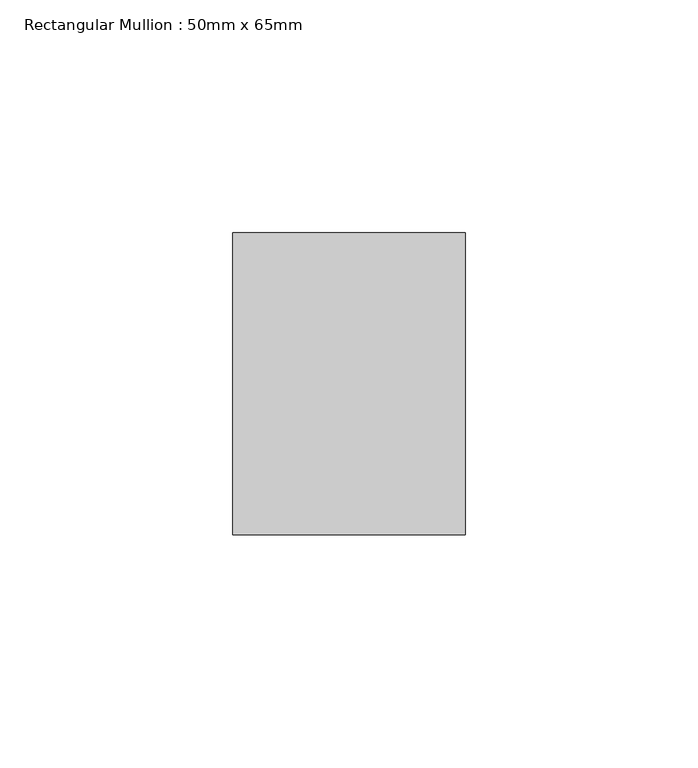
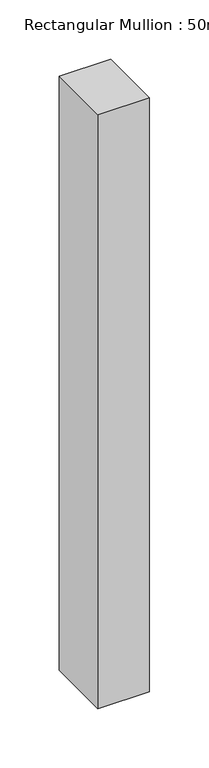
"""IFC4 building model written with IfcOpenShell, lengths in millimetres: member geometry, Rectangular Mullion : 50mm x 65mm."""

from ifc_helpers import new_model, si_unit, frame, origin, place, context, project, spatial, polyline, outline, extrude, source, transform, mapped, element, save


def rectangular_mullion_50mm_x_65mm_a9605290(model_context):
    return source(origin(), model_context, "Body", "SweptSolid", [
        extrude(outline(polyline([(25.0, 32.5), (25.0, -32.5), (-25.0, -32.5), (-25.0, 32.5), (25.0, 32.5)])), frame((0.0, 0.0, -610.7645601), z_axis=(0.0, 0.0, 1.0), x_axis=(1.0, 0.0, 0.0)), (0.0, 0.0, 1.0), 610.7645601),
    ])


if __name__ == "__main__":
    model = new_model("IFC4")
    model_context = context("Model", 3, world=origin())
    ifc_project = project(units=[si_unit("LENGTHUNIT", "METRE", prefix="MILLI")], contexts=[model_context])
    site = spatial("IfcSite", under=ifc_project)
    building = spatial("IfcBuilding", under=site)
    placement = place(None, origin())
    rectangular_mullion_50mm_x_65mm_shape = rectangular_mullion_50mm_x_65mm_a9605290(model_context)
    element("IfcMember", 1, ObjectType="Rectangular Mullion : 50mm x 65mm", at=placement, inside=building, context=model_context, shape_type="MappedRepresentation", body=[
        mapped(rectangular_mullion_50mm_x_65mm_shape, transform((0.0, 0.0, 0.0), x_axis=(1.0, 0.0, 0.0), y_axis=(0.0, 1.0, 0.0), z_axis=(0.0, 0.0, 1.0))),
    ])
    save(model, "model.ifc")
